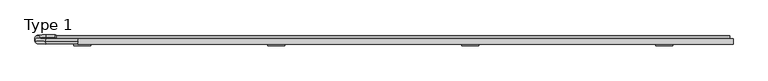
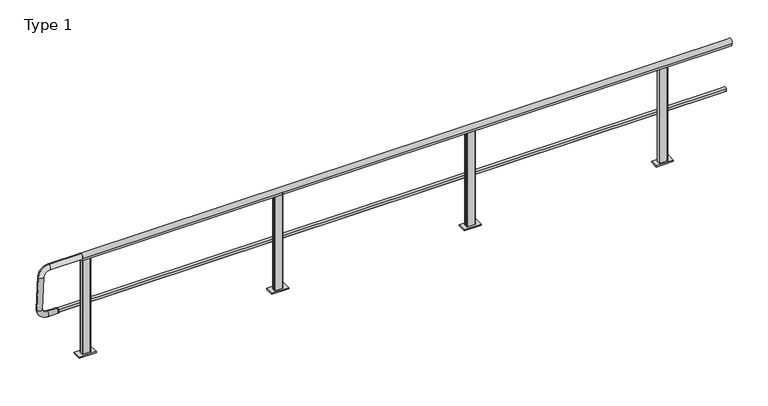
"""IFC4 building model written with IfcOpenShell, lengths in millimetres: railing geometry, Type 1."""

from ifc_helpers import new_model, si_unit, point, frame, frame_2d, origin, place, context, project, spatial, polyline, circle_curve, ellipse_curve, trimmed, segment, composite_curve, outline, extrude, source, transform, mapped, element, save
from ifc_brep_helpers import plane_surface, cylinder_surface, revolved_surface, advanced_brep


def type_1_74665c3f(model_context):
    return source(origin(), model_context, "Body", "SolidModel", [
        advanced_brep(
        [(3618.3333333, -59.0, 958.0000001), (3688.3333333, -59.0, 958.0000001), (3693.3333333, -54.0, 958.0000001), (3693.3333333, -26.0, 958.0000001), (3688.3333333, -21.0, 958.0000001), (3618.3333333, -21.0, 958.0000001), (3613.3333333, -26.0, 958.0000001), (3613.3333333, -54.0, 958.0000001), (3573.3333333, -80.0, 1e-07), (3573.3333333, 0.0, 1e-07), (3733.3333333, 0.0, 1e-07), (3733.3333333, -80.0, 1e-07), (3618.3333333, -59.0, 11.0000001), (3688.3333333, -59.0, 11.0000001), (3693.3333333, -54.0, 11.0000001), (3693.3333333, -26.0, 11.0000001), (3688.3333333, -21.0, 11.0000001), (3618.3333333, -21.0, 11.0000001), (3613.3333333, -26.0, 11.0000001), (3613.3333333, -54.0, 11.0000001), (3573.3333333, -80.0, 11.0000001), (3733.3333333, -80.0, 11.0000001), (3733.3333333, 0.0, 11.0000001), (3573.3333333, 0.0, 11.0000001)],
        [
            (0, 1),
            (1, 2, circle_curve(frame((3688.3333333, -54.0, 958.0000001), z_axis=(0.0, 0.0, 1.0), x_axis=(-1.0, 0.0, 0.0)), 5.0)),
            (2, 3),
            (3, 4, circle_curve(frame((3688.3333333, -26.0, 958.0000001), z_axis=(0.0, 0.0, 1.0), x_axis=(-1.0, 0.0, 0.0)), 5.0)),
            (4, 5),
            (5, 6, circle_curve(frame((3618.3333333, -26.0, 958.0000001), z_axis=(0.0, 0.0, 1.0), x_axis=(-1.0, 0.0, 0.0)), 5.0)),
            (6, 7),
            (7, 0, circle_curve(frame((3618.3333333, -54.0, 958.0000001), z_axis=(0.0, 0.0, 1.0), x_axis=(-1.0, 0.0, 0.0)), 5.0)),
            (8, 9),
            (9, 10),
            (10, 11),
            (11, 8),
            (0, 12),
            (12, 13),
            (13, 1),
            (13, 14, circle_curve(frame((3688.3333333, -54.0, 11.0000001), z_axis=(0.0, 0.0, 1.0), x_axis=(-1.0, 0.0, 0.0)), 5.0)),
            (14, 2),
            (14, 15),
            (15, 3),
            (15, 16, circle_curve(frame((3688.3333333, -26.0, 11.0000001), z_axis=(0.0, 0.0, 1.0), x_axis=(-1.0, 0.0, 0.0)), 5.0)),
            (16, 4),
            (16, 17),
            (17, 5),
            (17, 18, circle_curve(frame((3618.3333333, -26.0, 11.0000001), z_axis=(0.0, 0.0, 1.0), x_axis=(-1.0, 0.0, 0.0)), 5.0)),
            (18, 6),
            (18, 19),
            (19, 7),
            (19, 12, circle_curve(frame((3618.3333333, -54.0, 11.0000001), z_axis=(0.0, 0.0, 1.0), x_axis=(-1.0, 0.0, 0.0)), 5.0)),
            (20, 21),
            (21, 22),
            (22, 23),
            (23, 20),
            (20, 8),
            (11, 21),
            (10, 22),
            (9, 23),
        ],
        [
            plane_surface(frame((3688.3333333, -59.0, 958.0000001), z_axis=(0.0, 0.0, 1.0), x_axis=(1.0, 0.0, 0.0))),
            plane_surface(frame((3688.3333333, -59.0, 1e-07), z_axis=(0.0, 0.0, -1.0), x_axis=(-1.0, 0.0, 0.0))),
            plane_surface(frame((3618.3333333, -59.0, 958.0000001), z_axis=(0.0, -1.0, 0.0), x_axis=(0.0, 0.0, -1.0))),
            cylinder_surface(frame((3688.3333333, -54.0, 1e-07), z_axis=(0.0, 0.0, 1.0), x_axis=(-1.0, 0.0, 0.0)), 5.0),
            plane_surface(frame((3693.3333333, -54.0, 958.0000001), z_axis=(1.0, 0.0, 0.0), x_axis=(0.0, 0.0, -1.0))),
            cylinder_surface(frame((3688.3333333, -26.0, 1e-07), z_axis=(0.0, 0.0, 1.0), x_axis=(-1.0, 0.0, 0.0)), 5.0),
            plane_surface(frame((3688.3333333, -21.0, 958.0000001), z_axis=(0.0, 1.0, 0.0), x_axis=(0.0, 0.0, -1.0))),
            cylinder_surface(frame((3618.3333333, -26.0, 1e-07), z_axis=(0.0, 0.0, 1.0), x_axis=(-1.0, 0.0, 0.0)), 5.0),
            plane_surface(frame((3613.3333333, -26.0, 958.0000001), z_axis=(-1.0, 0.0, 0.0), x_axis=(0.0, 0.0, -1.0))),
            cylinder_surface(frame((3618.3333333, -54.0, 1e-07), z_axis=(0.0, 0.0, 1.0), x_axis=(-1.0, 0.0, 0.0)), 5.0),
            plane_surface(frame((3733.3333333, -80.0, 11.0000001), z_axis=(0.0, 0.0, 1.0), x_axis=(1.0, 0.0, 0.0))),
            plane_surface(frame((3573.3333333, -80.0, 11.0000001), z_axis=(0.0, -1.0, 0.0), x_axis=(0.0, 0.0, -1.0))),
            plane_surface(frame((3733.3333333, -80.0, 11.0000001), z_axis=(1.0, 0.0, 0.0), x_axis=(0.0, 0.0, -1.0))),
            plane_surface(frame((3733.3333333, 0.0, 11.0000001), z_axis=(0.0, 1.0, 0.0), x_axis=(0.0, 0.0, -1.0))),
            plane_surface(frame((3573.3333333, 0.0, 11.0000001), z_axis=(-1.0, 0.0, 0.0), x_axis=(0.0, 0.0, -1.0))),
        ],
        [
            (0, [[1, 2, 3, 4, 5, 6, 7, 8]]),
            (1, [[9, 10, 11, 12]]),
            (2, [[-1, 13, 14, 15]]),
            (3, [[-2, -15, 16, 17]]),
            (4, [[-3, -17, 18, 19]]),
            (5, [[-4, -19, 20, 21]]),
            (6, [[-5, -21, 22, 23]]),
            (7, [[-6, -23, 24, 25]]),
            (8, [[-7, -25, 26, 27]]),
            (9, [[-8, -27, 28, -13]]),
            (10, [[29, 30, 31, 32], [-14, -28, -26, -24, -22, -20, -18, -16]]),
            (11, [[-29, 33, -12, 34]]),
            (12, [[-30, -34, -11, 35]]),
            (13, [[-31, -35, -10, 36]]),
            (14, [[-32, -36, -9, -33]]),
        ],
    ),
        advanced_brep(
        [(1811.6666667, -59.0, 958.0000001), (1881.6666667, -59.0, 958.0000001), (1886.6666667, -54.0, 958.0000001), (1886.6666667, -26.0, 958.0000001), (1881.6666667, -21.0, 958.0000001), (1811.6666667, -21.0, 958.0000001), (1806.6666667, -26.0, 958.0000001), (1806.6666667, -54.0, 958.0000001), (1766.6666667, -80.0, 1e-07), (1766.6666667, 0.0, 1e-07), (1926.6666667, 0.0, 1e-07), (1926.6666667, -80.0, 1e-07), (1811.6666667, -59.0, 11.0000001), (1881.6666667, -59.0, 11.0000001), (1886.6666667, -54.0, 11.0000001), (1886.6666667, -26.0, 11.0000001), (1881.6666667, -21.0, 11.0000001), (1811.6666667, -21.0, 11.0000001), (1806.6666667, -26.0, 11.0000001), (1806.6666667, -54.0, 11.0000001), (1766.6666667, -80.0, 11.0000001), (1926.6666667, -80.0, 11.0000001), (1926.6666667, 0.0, 11.0000001), (1766.6666667, 0.0, 11.0000001)],
        [
            (0, 1),
            (1, 2, circle_curve(frame((1881.6666667, -54.0, 958.0000001), z_axis=(0.0, 0.0, 1.0), x_axis=(-1.0, 0.0, 0.0)), 5.0)),
            (2, 3),
            (3, 4, circle_curve(frame((1881.6666667, -26.0, 958.0000001), z_axis=(0.0, 0.0, 1.0), x_axis=(-1.0, 0.0, 0.0)), 5.0)),
            (4, 5),
            (5, 6, circle_curve(frame((1811.6666667, -26.0, 958.0000001), z_axis=(0.0, 0.0, 1.0), x_axis=(-1.0, 0.0, 0.0)), 5.0)),
            (6, 7),
            (7, 0, circle_curve(frame((1811.6666667, -54.0, 958.0000001), z_axis=(0.0, 0.0, 1.0), x_axis=(-1.0, 0.0, 0.0)), 5.0)),
            (8, 9),
            (9, 10),
            (10, 11),
            (11, 8),
            (0, 12),
            (12, 13),
            (13, 1),
            (13, 14, circle_curve(frame((1881.6666667, -54.0, 11.0000001), z_axis=(0.0, 0.0, 1.0), x_axis=(-1.0, 0.0, 0.0)), 5.0)),
            (14, 2),
            (14, 15),
            (15, 3),
            (15, 16, circle_curve(frame((1881.6666667, -26.0, 11.0000001), z_axis=(0.0, 0.0, 1.0), x_axis=(-1.0, 0.0, 0.0)), 5.0)),
            (16, 4),
            (16, 17),
            (17, 5),
            (17, 18, circle_curve(frame((1811.6666667, -26.0, 11.0000001), z_axis=(0.0, 0.0, 1.0), x_axis=(-1.0, 0.0, 0.0)), 5.0)),
            (18, 6),
            (18, 19),
            (19, 7),
            (19, 12, circle_curve(frame((1811.6666667, -54.0, 11.0000001), z_axis=(0.0, 0.0, 1.0), x_axis=(-1.0, 0.0, 0.0)), 5.0)),
            (20, 21),
            (21, 22),
            (22, 23),
            (23, 20),
            (20, 8),
            (11, 21),
            (10, 22),
            (9, 23),
        ],
        [
            plane_surface(frame((1881.6666667, -59.0, 958.0000001), z_axis=(0.0, 0.0, 1.0), x_axis=(1.0, 0.0, 0.0))),
            plane_surface(frame((1881.6666667, -59.0, 1e-07), z_axis=(0.0, 0.0, -1.0), x_axis=(-1.0, 0.0, 0.0))),
            plane_surface(frame((1811.6666667, -59.0, 958.0000001), z_axis=(0.0, -1.0, 0.0), x_axis=(0.0, 0.0, -1.0))),
            cylinder_surface(frame((1881.6666667, -54.0, 1e-07), z_axis=(0.0, 0.0, 1.0), x_axis=(-1.0, 0.0, 0.0)), 5.0),
            plane_surface(frame((1886.6666667, -54.0, 958.0000001), z_axis=(1.0, 0.0, 0.0), x_axis=(0.0, 0.0, -1.0))),
            cylinder_surface(frame((1881.6666667, -26.0, 1e-07), z_axis=(0.0, 0.0, 1.0), x_axis=(-1.0, 0.0, 0.0)), 5.0),
            plane_surface(frame((1881.6666667, -21.0, 958.0000001), z_axis=(0.0, 1.0, 0.0), x_axis=(0.0, 0.0, -1.0))),
            cylinder_surface(frame((1811.6666667, -26.0, 1e-07), z_axis=(0.0, 0.0, 1.0), x_axis=(-1.0, 0.0, 0.0)), 5.0),
            plane_surface(frame((1806.6666667, -26.0, 958.0000001), z_axis=(-1.0, 0.0, 0.0), x_axis=(0.0, 0.0, -1.0))),
            cylinder_surface(frame((1811.6666667, -54.0, 1e-07), z_axis=(0.0, 0.0, 1.0), x_axis=(-1.0, 0.0, 0.0)), 5.0),
            plane_surface(frame((1926.6666667, -80.0, 11.0000001), z_axis=(0.0, 0.0, 1.0), x_axis=(1.0, 0.0, 0.0))),
            plane_surface(frame((1766.6666667, -80.0, 11.0000001), z_axis=(0.0, -1.0, 0.0), x_axis=(0.0, 0.0, -1.0))),
            plane_surface(frame((1926.6666667, -80.0, 11.0000001), z_axis=(1.0, 0.0, 0.0), x_axis=(0.0, 0.0, -1.0))),
            plane_surface(frame((1926.6666667, 0.0, 11.0000001), z_axis=(0.0, 1.0, 0.0), x_axis=(0.0, 0.0, -1.0))),
            plane_surface(frame((1766.6666667, 0.0, 11.0000001), z_axis=(-1.0, 0.0, 0.0), x_axis=(0.0, 0.0, -1.0))),
        ],
        [
            (0, [[1, 2, 3, 4, 5, 6, 7, 8]]),
            (1, [[9, 10, 11, 12]]),
            (2, [[-1, 13, 14, 15]]),
            (3, [[-2, -15, 16, 17]]),
            (4, [[-3, -17, 18, 19]]),
            (5, [[-4, -19, 20, 21]]),
            (6, [[-5, -21, 22, 23]]),
            (7, [[-6, -23, 24, 25]]),
            (8, [[-7, -25, 26, 27]]),
            (9, [[-8, -27, 28, -13]]),
            (10, [[29, 30, 31, 32], [-14, -28, -26, -24, -22, -20, -18, -16]]),
            (11, [[-29, 33, -12, 34]]),
            (12, [[-30, -34, -11, 35]]),
            (13, [[-31, -35, -10, 36]]),
            (14, [[-32, -36, -9, -33]]),
        ],
    ),
        advanced_brep(
        [(-200.0, -5.3, 468.0), (-200.0, -5.3, 508.0), (-210.0, -5.3, 463.0), (-210.0, -5.3, 513.0)],
        [
            (0, 1, circle_curve(frame((-200.0, -5.3, 488.0), z_axis=(1.0, 0.0, 0.0), x_axis=(0.0, 0.0, -1.0)), 20.0)),
            (1, 0, circle_curve(frame((-200.0, -5.3, 488.0), z_axis=(1.0, 0.0, 0.0), x_axis=(0.0, 0.0, 1.0)), 20.0)),
            (2, 3, circle_curve(frame((-210.0, -5.3, 488.0), z_axis=(-1.0, 0.0, 0.0), x_axis=(0.0, 0.0, 1.0)), 25.0)),
            (3, 2, circle_curve(frame((-210.0, -5.3, 488.0), z_axis=(-1.0, 0.0, 0.0), x_axis=(0.0, 0.0, -1.0)), 25.0)),
            (3, 1),
            (0, 2),
        ],
        [
            plane_surface(frame((-200.0, -5.3, 488.0), z_axis=(1.0, 0.0, 0.0), x_axis=(0.0, 1.0, 0.0))),
            plane_surface(frame((-210.0, -5.3, 488.0), z_axis=(-1.0, 0.0, 0.0), x_axis=(0.0, 1.0, 0.0))),
            revolved_surface(polyline([(-200.0, -5.3, 468.0), (-210.0, -5.3, 463.0)]), (-160.0, -5.3, 488.0), (-1.0, 0.0, 0.0)),
            revolved_surface(polyline([(-200.0, -5.3, 508.0), (-210.0, -5.3, 513.0)]), (-160.0, -5.3, 488.0), (-1.0, 0.0, 0.0)),
        ],
        [
            (0, [[1, 2]]),
            (1, [[3, 4]]),
            (2, [[-4, 5, -1, 6]]),
            (3, [[-3, -6, -2, -5]]),
        ],
    ),
        advanced_brep(
        [(0.0, -41.7768095, 999.936779), (0.0, -38.2231905, 950.063221), (-300.0, -41.7768095, 999.936779), (-300.0, -38.2231905, 950.063221), (-350.0, -34.6695715, 900.1896629), (-400.0, -34.6695715, 900.1896629), (-400.0, -10.6399996, 562.9446635), (-350.0, -10.6399996, 562.9446635), (-300.0, -7.0863806, 513.0711054), (-300.0, -3.5327616, 463.1975474), (-210.0, -3.5327616, 463.1975474), (-210.0, -7.0863806, 513.0711054)],
        [
            (0, 1, circle_curve(frame((0.0, -40.0, 975.0), z_axis=(1.0, 0.0, 0.0), x_axis=(0.0, 0.07107238045513664, -0.9974711608545084)), 25.0)),
            (1, 0, circle_curve(frame((0.0, -40.0, 975.0), z_axis=(1.0, 0.0, 0.0), x_axis=(0.0, 0.07107238045513664, -0.9974711608545084)), 25.0)),
            (0, 2),
            (2, 3, circle_curve(frame((-300.0, -40.0, 975.0), z_axis=(1.0, 0.0, 0.0), x_axis=(0.0, 0.07107238045513664, -0.9974711608545084)), 25.0)),
            (3, 1),
            (3, 2, circle_curve(frame((-300.0, -40.0, 975.0), z_axis=(1.0, 0.0, 0.0), x_axis=(0.0, 0.07107238045513664, -0.9974711608545084)), 25.0)),
            (4, 3, circle_curve(frame((-300.0, -34.6695715, 900.1896629), z_axis=(0.0, 0.9974711608545084, 0.07107238045513664), x_axis=(0.0, -0.07107238045513664, 0.9974711608545084)), 50.0)),
            (2, 5, circle_curve(frame((-300.0, -34.6695715, 900.1896629), z_axis=(0.0, -0.9974711608545084, -0.07107238045513664), x_axis=(0.0, -0.07107238045513664, 0.9974711608545084)), 100.0)),
            (5, 4, circle_curve(frame((-375.0, -34.6695715, 900.1896629), z_axis=(0.0, -0.07107238045513664, 0.9974711608545084), x_axis=(1.0000000000000002, 0.0, 0.0)), 25.0)),
            (4, 5, circle_curve(frame((-375.0, -34.6695715, 900.1896629), z_axis=(0.0, -0.07107238045513664, 0.9974711608545084), x_axis=(1.0000000000000002, 0.0, 0.0)), 25.0)),
            (5, 6),
            (6, 7, circle_curve(frame((-375.0, -10.6399996, 562.9446635), z_axis=(0.0, -0.07107238045513667, 0.9974711608545085), x_axis=(1.0, 0.0, 0.0)), 25.0)),
            (7, 4),
            (7, 6, circle_curve(frame((-375.0, -10.6399996, 562.9446635), z_axis=(0.0, -0.07107238045513667, 0.9974711608545085), x_axis=(1.0, 0.0, 0.0)), 25.0)),
            (8, 7, circle_curve(frame((-300.0, -10.6399996, 562.9446635), z_axis=(0.0, 0.9974711608545084, 0.07107238045513664), x_axis=(-1.0, 0.0, 0.0)), 50.0)),
            (6, 9, circle_curve(frame((-300.0, -10.6399996, 562.9446635), z_axis=(0.0, -0.9974711608545084, -0.07107238045513664), x_axis=(-1.0, 0.0, 0.0)), 100.0)),
            (9, 8, circle_curve(frame((-300.0, -5.3095711, 488.1343264), z_axis=(-1.0, 0.0, 0.0), x_axis=(0.0, -0.07107238045513666, 0.9974711608545084)), 25.0)),
            (8, 9, circle_curve(frame((-300.0, -5.3095711, 488.1343264), z_axis=(-1.0, 0.0, 0.0), x_axis=(0.0, -0.07107238045513666, 0.9974711608545084)), 25.0)),
            (10, 11, circle_curve(frame((-210.0, -5.3095711, 488.1343264), z_axis=(1.0, 0.0, 0.0), x_axis=(0.0, -0.07107238045513664, 0.9974711608545084)), 25.0)),
            (11, 10, circle_curve(frame((-210.0, -5.3095711, 488.1343264), z_axis=(1.0, 0.0, 0.0), x_axis=(0.0, -0.07107238045513664, 0.9974711608545084)), 25.0)),
            (9, 10),
            (11, 8),
        ],
        [
            plane_surface(frame((0.0, -41.7768095, 999.936779), z_axis=(1.0000000000000002, 0.0, 0.0), x_axis=(0.0, -0.9974711608545084, -0.07107238045513664))),
            cylinder_surface(frame((0.0, -40.0, 975.0), z_axis=(1.0000000000000002, 0.0, 0.0), x_axis=(0.0, 0.07107238045513664, -0.9974711608545084)), 25.0),
            revolved_surface(trimmed(ellipse_curve(frame((-300.0, -40.0, 975.0), z_axis=(1.0000000000000002, 0.0, 0.0), x_axis=(0.0, 0.07107238045513664, -0.9974711608545084)), 25.0, 25.0), [point((-300.0, -41.7768095, 999.936779))], [point((-300.0, -38.2231905, 950.063221))], True, "CARTESIAN"), (-300.0, -34.6695715, 900.1896629), (0.0, -0.9974711608545084, -0.07107238045513664)),
            revolved_surface(trimmed(ellipse_curve(frame((-300.0, -40.0, 975.0), z_axis=(1.0000000000000002, 0.0, 0.0), x_axis=(0.0, 0.07107238045513664, -0.9974711608545084)), 25.0, 25.0), [point((-300.0, -38.2231905, 950.063221))], [point((-300.0, -41.7768095, 999.936779))], True, "CARTESIAN"), (-300.0, -34.6695715, 900.1896629), (0.0, -0.9974711608545084, -0.07107238045513664)),
            cylinder_surface(frame((-375.0, -34.6695715, 900.1896629), z_axis=(0.0, -0.07107238045513666, 0.9974711608545083), x_axis=(1.0, 0.0, 0.0)), 25.0),
            revolved_surface(trimmed(ellipse_curve(frame((-375.0, -10.6399996, 562.9446635), z_axis=(0.0, -0.07107238045513667, 0.9974711608545084), x_axis=(1.0, 0.0, 0.0)), 25.0, 25.0), [point((-400.0, -10.6399996, 562.9446635))], [point((-350.0, -10.6399996, 562.9446635))], True, "CARTESIAN"), (-300.0, -10.6399996, 562.9446635), (0.0, -0.9974711608545084, -0.07107238045513664)),
            revolved_surface(trimmed(ellipse_curve(frame((-375.0, -10.6399996, 562.9446635), z_axis=(0.0, -0.07107238045513667, 0.9974711608545084), x_axis=(1.0, 0.0, 0.0)), 25.0, 25.0), [point((-350.0, -10.6399996, 562.9446635))], [point((-400.0, -10.6399996, 562.9446635))], True, "CARTESIAN"), (-300.0, -10.6399996, 562.9446635), (0.0, -0.9974711608545084, -0.07107238045513664)),
            plane_surface(frame((-210.0, -3.5327616, 463.1975474), z_axis=(1.0000000000000002, 0.0, 0.0), x_axis=(0.0, -0.9974711608545084, -0.07107238045513664))),
            cylinder_surface(frame((-300.0, -5.3095711, 488.1343264), z_axis=(-1.0, 0.0, 0.0), x_axis=(0.0, -0.07107238045513664, 0.9974711608545084)), 25.0),
        ],
        [
            (0, [[1, 2]]),
            (1, [[-1, 3, 4, 5]]),
            (1, [[-2, -5, 6, -3]]),
            (2, [[7, -4, 8, 9]]),
            (3, [[-8, -6, -7, 10]]),
            (4, [[-9, 11, 12, 13]]),
            (4, [[-10, -13, 14, -11]]),
            (5, [[15, -12, 16, 17]]),
            (6, [[-16, -14, -15, 18]]),
            (7, [[19, 20]]),
            (8, [[-17, 21, -20, 22]]),
            (8, [[-18, -22, -19, -21]]),
        ],
    ),
        extrude(outline(composite_curve([segment(trimmed(circle_curve(frame_2d((-5.287505, 488.0)), 20.0), [point((13.3, 480.617273))], [point((-21.0, 475.6259343))], False, "CARTESIAN"), True, "CONTINUOUS"), segment(polyline([(-21.0, 475.6259343), (-21.0, 500.3740657)]), True, "CONTINUOUS"), segment(trimmed(circle_curve(frame_2d((-5.287505, 488.0)), 20.0), [point((-21.0, 500.3740657))], [point((13.3, 495.382727))], False, "CARTESIAN"), True, "CONTINUOUS"), segment(polyline([(13.3, 495.382727), (9.3, 495.382727), (9.3, 480.617273), (13.3, 480.617273)]), True, "CONTINUOUS")], self_intersect=False)), frame((-200.0, 0.0, 0.0), z_axis=(1.0, 0.0, 0.0), x_axis=(0.0, 1.0, 0.0)), (0.0, 0.0, 1.0), 6270.0),
        extrude(outline(composite_curve([segment(trimmed(circle_curve(frame_2d((-40.0, 975.0)), 25.0), [point((-61.0, 961.43534))], [point((-19.0, 961.43534))], False, "CARTESIAN"), True, "CONTINUOUS"), segment(polyline([(-19.0, 961.43534), (-19.0, 943.0), (-20.0, 943.0), (-20.0, 958.0), (-60.0, 958.0), (-60.0, 943.0), (-61.0, 943.0), (-61.0, 961.43534)]), True, "CONTINUOUS")], self_intersect=False)), frame((0.0, 0.0, 0.0), z_axis=(1.0, 0.0, 0.0), x_axis=(0.0, 1.0, 0.0)), (0.0, 0.0, 1.0), 6100.0),
        advanced_brep(
        [(5425.0, -59.0, 958.0), (5495.0, -59.0, 958.0), (5500.0, -54.0, 958.0), (5500.0, -26.0, 958.0), (5495.0, -21.0, 958.0), (5425.0, -21.0, 958.0), (5420.0, -26.0, 958.0), (5420.0, -54.0, 958.0), (5380.0, -80.0, 0.0), (5380.0, 0.0, 0.0), (5540.0, 0.0, 0.0), (5540.0, -80.0, 0.0), (5425.0, -59.0, 11.0), (5495.0, -59.0, 11.0), (5500.0, -54.0, 11.0), (5500.0, -26.0, 11.0), (5495.0, -21.0, 11.0), (5425.0, -21.0, 11.0), (5420.0, -26.0, 11.0), (5420.0, -54.0, 11.0), (5380.0, -80.0, 11.0), (5540.0, -80.0, 11.0), (5540.0, 0.0, 11.0), (5380.0, 0.0, 11.0)],
        [
            (0, 1),
            (1, 2, circle_curve(frame((5495.0, -54.0, 958.0), z_axis=(0.0, 0.0, 1.0), x_axis=(-1.0, 0.0, 0.0)), 5.0)),
            (2, 3),
            (3, 4, circle_curve(frame((5495.0, -26.0, 958.0), z_axis=(0.0, 0.0, 1.0), x_axis=(-1.0, 0.0, 0.0)), 5.0)),
            (4, 5),
            (5, 6, circle_curve(frame((5425.0, -26.0, 958.0), z_axis=(0.0, 0.0, 1.0), x_axis=(-1.0, 0.0, 0.0)), 5.0)),
            (6, 7),
            (7, 0, circle_curve(frame((5425.0, -54.0, 958.0), z_axis=(0.0, 0.0, 1.0), x_axis=(-1.0, 0.0, 0.0)), 5.0)),
            (8, 9),
            (9, 10),
            (10, 11),
            (11, 8),
            (0, 12),
            (12, 13),
            (13, 1),
            (13, 14, circle_curve(frame((5495.0, -54.0, 11.0), z_axis=(0.0, 0.0, 1.0), x_axis=(-1.0, 0.0, 0.0)), 5.0)),
            (14, 2),
            (14, 15),
            (15, 3),
            (15, 16, circle_curve(frame((5495.0, -26.0, 11.0), z_axis=(0.0, 0.0, 1.0), x_axis=(-1.0, 0.0, 0.0)), 5.0)),
            (16, 4),
            (16, 17),
            (17, 5),
            (17, 18, circle_curve(frame((5425.0, -26.0, 11.0), z_axis=(0.0, 0.0, 1.0), x_axis=(-1.0, 0.0, 0.0)), 5.0)),
            (18, 6),
            (18, 19),
            (19, 7),
            (19, 12, circle_curve(frame((5425.0, -54.0, 11.0), z_axis=(0.0, 0.0, 1.0), x_axis=(-1.0, 0.0, 0.0)), 5.0)),
            (20, 21),
            (21, 22),
            (22, 23),
            (23, 20),
            (20, 8),
            (11, 21),
            (10, 22),
            (9, 23),
        ],
        [
            plane_surface(frame((5495.0, -59.0, 958.0), z_axis=(0.0, 0.0, 1.0), x_axis=(1.0, 0.0, 0.0))),
            plane_surface(frame((5495.0, -59.0, 0.0), z_axis=(0.0, 0.0, -1.0), x_axis=(-1.0, 0.0, 0.0))),
            plane_surface(frame((5425.0, -59.0, 958.0), z_axis=(0.0, -1.0, 0.0), x_axis=(0.0, 0.0, -1.0))),
            cylinder_surface(frame((5495.0, -54.0, 0.0), z_axis=(0.0, 0.0, 1.0), x_axis=(-1.0, 0.0, 0.0)), 5.0),
            plane_surface(frame((5500.0, -54.0, 958.0), z_axis=(1.0, 0.0, 0.0), x_axis=(0.0, 0.0, -1.0))),
            cylinder_surface(frame((5495.0, -26.0, 0.0), z_axis=(0.0, 0.0, 1.0), x_axis=(-1.0, 0.0, 0.0)), 5.0),
            plane_surface(frame((5495.0, -21.0, 958.0), z_axis=(0.0, 1.0, 0.0), x_axis=(0.0, 0.0, -1.0))),
            cylinder_surface(frame((5425.0, -26.0, 0.0), z_axis=(0.0, 0.0, 1.0), x_axis=(-1.0, 0.0, 0.0)), 5.0),
            plane_surface(frame((5420.0, -26.0, 958.0), z_axis=(-1.0, 0.0, 0.0), x_axis=(0.0, 0.0, -1.0))),
            cylinder_surface(frame((5425.0, -54.0, 0.0), z_axis=(0.0, 0.0, 1.0), x_axis=(-1.0, 0.0, 0.0)), 5.0),
            plane_surface(frame((5540.0, -80.0, 11.0), z_axis=(0.0, 0.0, 1.0), x_axis=(1.0, 0.0, 0.0))),
            plane_surface(frame((5380.0, -80.0, 11.0), z_axis=(0.0, -1.0, 0.0), x_axis=(0.0, 0.0, -1.0))),
            plane_surface(frame((5540.0, -80.0, 11.0), z_axis=(1.0, 0.0, 0.0), x_axis=(0.0, 0.0, -1.0))),
            plane_surface(frame((5540.0, 0.0, 11.0), z_axis=(0.0, 1.0, 0.0), x_axis=(0.0, 0.0, -1.0))),
            plane_surface(frame((5380.0, 0.0, 11.0), z_axis=(-1.0, 0.0, 0.0), x_axis=(0.0, 0.0, -1.0))),
        ],
        [
            (0, [[1, 2, 3, 4, 5, 6, 7, 8]]),
            (1, [[9, 10, 11, 12]]),
            (2, [[-1, 13, 14, 15]]),
            (3, [[-2, -15, 16, 17]]),
            (4, [[-3, -17, 18, 19]]),
            (5, [[-4, -19, 20, 21]]),
            (6, [[-5, -21, 22, 23]]),
            (7, [[-6, -23, 24, 25]]),
            (8, [[-7, -25, 26, 27]]),
            (9, [[-8, -27, 28, -13]]),
            (10, [[29, 30, 31, 32], [-14, -28, -26, -24, -22, -20, -18, -16]]),
            (11, [[-29, 33, -12, 34]]),
            (12, [[-30, -34, -11, 35]]),
            (13, [[-31, -35, -10, 36]]),
            (14, [[-32, -36, -9, -33]]),
        ],
    ),
        advanced_brep(
        [(5.0, -59.0, 958.0), (75.0, -59.0, 958.0), (80.0, -54.0, 958.0), (80.0, -26.0, 958.0), (75.0, -21.0, 958.0), (5.0, -21.0, 958.0), (0.0, -26.0, 958.0), (0.0, -54.0, 958.0), (-40.0, -80.0, 0.0), (-40.0, 0.0, 0.0), (120.0, 0.0, 0.0), (120.0, -80.0, 0.0), (5.0, -59.0, 11.0), (75.0, -59.0, 11.0), (80.0, -54.0, 11.0), (80.0, -26.0, 11.0), (75.0, -21.0, 11.0), (5.0, -21.0, 11.0), (0.0, -26.0, 11.0), (0.0, -54.0, 11.0), (-40.0, -80.0, 11.0), (120.0, -80.0, 11.0), (120.0, 0.0, 11.0), (-40.0, 0.0, 11.0)],
        [
            (0, 1),
            (1, 2, circle_curve(frame((75.0, -54.0, 958.0), z_axis=(0.0, 0.0, 1.0), x_axis=(-1.0, 0.0, 0.0)), 5.0)),
            (2, 3),
            (3, 4, circle_curve(frame((75.0, -26.0, 958.0), z_axis=(0.0, 0.0, 1.0), x_axis=(-1.0, 0.0, 0.0)), 5.0)),
            (4, 5),
            (5, 6, circle_curve(frame((5.0, -26.0, 958.0), z_axis=(0.0, 0.0, 1.0), x_axis=(-1.0, 0.0, 0.0)), 5.0)),
            (6, 7),
            (7, 0, circle_curve(frame((5.0, -54.0, 958.0), z_axis=(0.0, 0.0, 1.0), x_axis=(-1.0, 0.0, 0.0)), 5.0)),
            (8, 9),
            (9, 10),
            (10, 11),
            (11, 8),
            (0, 12),
            (12, 13),
            (13, 1),
            (13, 14, circle_curve(frame((75.0, -54.0, 11.0), z_axis=(0.0, 0.0, 1.0), x_axis=(-1.0, 0.0, 0.0)), 5.0)),
            (14, 2),
            (14, 15),
            (15, 3),
            (15, 16, circle_curve(frame((75.0, -26.0, 11.0), z_axis=(0.0, 0.0, 1.0), x_axis=(-1.0, 0.0, 0.0)), 5.0)),
            (16, 4),
            (16, 17),
            (17, 5),
            (17, 18, circle_curve(frame((5.0, -26.0, 11.0), z_axis=(0.0, 0.0, 1.0), x_axis=(-1.0, 0.0, 0.0)), 5.0)),
            (18, 6),
            (18, 19),
            (19, 7),
            (19, 12, circle_curve(frame((5.0, -54.0, 11.0), z_axis=(0.0, 0.0, 1.0), x_axis=(-1.0, 0.0, 0.0)), 5.0)),
            (20, 21),
            (21, 22),
            (22, 23),
            (23, 20),
            (20, 8),
            (11, 21),
            (10, 22),
            (9, 23),
        ],
        [
            plane_surface(frame((75.0, -59.0, 958.0), z_axis=(0.0, 0.0, 1.0), x_axis=(1.0, 0.0, 0.0))),
            plane_surface(frame((75.0, -59.0, 0.0), z_axis=(0.0, 0.0, -1.0), x_axis=(-1.0, 0.0, 0.0))),
            plane_surface(frame((5.0, -59.0, 958.0), z_axis=(0.0, -1.0, 0.0), x_axis=(0.0, 0.0, -1.0))),
            cylinder_surface(frame((75.0, -54.0, 0.0), z_axis=(0.0, 0.0, 1.0), x_axis=(-1.0, 0.0, 0.0)), 5.0),
            plane_surface(frame((80.0, -54.0, 958.0), z_axis=(1.0, 0.0, 0.0), x_axis=(0.0, 0.0, -1.0))),
            cylinder_surface(frame((75.0, -26.0, 0.0), z_axis=(0.0, 0.0, 1.0), x_axis=(-1.0, 0.0, 0.0)), 5.0),
            plane_surface(frame((75.0, -21.0, 958.0), z_axis=(0.0, 1.0, 0.0), x_axis=(0.0, 0.0, -1.0))),
            cylinder_surface(frame((5.0, -26.0, 0.0), z_axis=(0.0, 0.0, 1.0), x_axis=(-1.0, 0.0, 0.0)), 5.0),
            plane_surface(frame((0.0, -26.0, 958.0), z_axis=(-1.0, 0.0, 0.0), x_axis=(0.0, 0.0, -1.0))),
            cylinder_surface(frame((5.0, -54.0, 0.0), z_axis=(0.0, 0.0, 1.0), x_axis=(-1.0, 0.0, 0.0)), 5.0),
            plane_surface(frame((120.0, -80.0, 11.0), z_axis=(0.0, 0.0, 1.0), x_axis=(1.0, 0.0, 0.0))),
            plane_surface(frame((-40.0, -80.0, 11.0), z_axis=(0.0, -1.0, 0.0), x_axis=(0.0, 0.0, -1.0))),
            plane_surface(frame((120.0, -80.0, 11.0), z_axis=(1.0, 0.0, 0.0), x_axis=(0.0, 0.0, -1.0))),
            plane_surface(frame((120.0, 0.0, 11.0), z_axis=(0.0, 1.0, 0.0), x_axis=(0.0, 0.0, -1.0))),
            plane_surface(frame((-40.0, 0.0, 11.0), z_axis=(-1.0, 0.0, 0.0), x_axis=(0.0, 0.0, -1.0))),
        ],
        [
            (0, [[1, 2, 3, 4, 5, 6, 7, 8]]),
            (1, [[9, 10, 11, 12]]),
            (2, [[-1, 13, 14, 15]]),
            (3, [[-2, -15, 16, 17]]),
            (4, [[-3, -17, 18, 19]]),
            (5, [[-4, -19, 20, 21]]),
            (6, [[-5, -21, 22, 23]]),
            (7, [[-6, -23, 24, 25]]),
            (8, [[-7, -25, 26, 27]]),
            (9, [[-8, -27, 28, -13]]),
            (10, [[29, 30, 31, 32], [-14, -28, -26, -24, -22, -20, -18, -16]]),
            (11, [[-29, 33, -12, 34]]),
            (12, [[-30, -34, -11, 35]]),
            (13, [[-31, -35, -10, 36]]),
            (14, [[-32, -36, -9, -33]]),
        ],
    ),
    ])


if __name__ == "__main__":
    model = new_model("IFC4")
    model_context = context("Model", 3, world=origin())
    ifc_project = project(units=[si_unit("LENGTHUNIT", "METRE", prefix="MILLI")], contexts=[model_context])
    site = spatial("IfcSite", under=ifc_project)
    building = spatial("IfcBuilding", under=site)
    placement = place(None, origin())
    type_1_shape = type_1_74665c3f(model_context)
    element("IfcRailing", 1, ObjectType="Type 1", at=placement, inside=building, context=model_context, shape_type="MappedRepresentation", body=[
        mapped(type_1_shape, transform((0.0, 0.0, 0.0), x_axis=(1.0, 0.0, 0.0), y_axis=(0.0, 1.0, 0.0), z_axis=(0.0, 0.0, 1.0))),
    ])
    save(model, "model.ifc")
